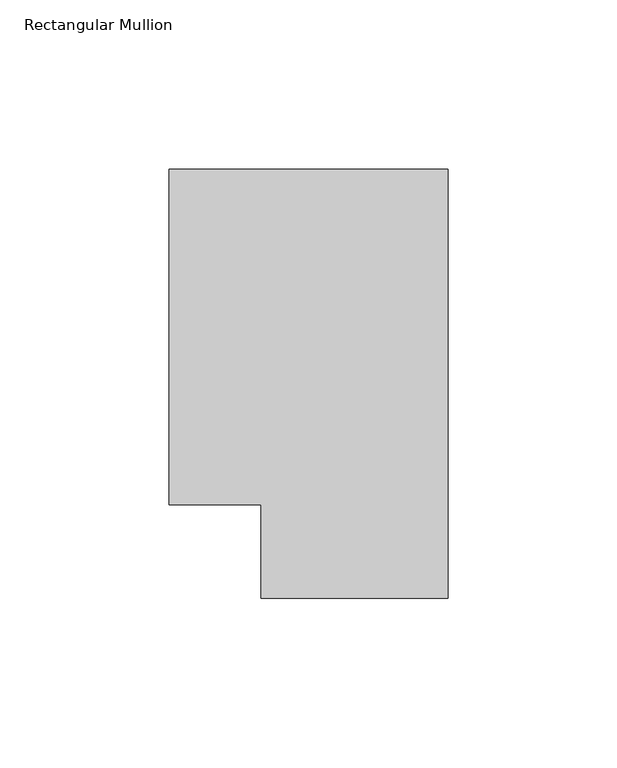
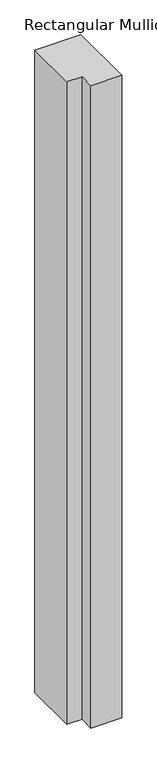
"""IFC4 building model written with IfcOpenShell, lengths in millimetres: member geometry, Rectangular Mullion."""

from ifc_helpers import new_model, si_unit, frame, origin, place, context, project, spatial, polyline, outline, extrude, source, transform, mapped, element, save


def rectangular_mullion_d05f4828(model_context):
    return source(origin(), model_context, "Body", "SweptSolid", [
        extrude(outline(polyline([(0.0, 138.7038437), (0.0, 11.7059608), (-55.3125404, 11.7059608), (-55.3125404, 39.3898437), (-82.55, 39.3898437), (-82.55, 138.7038437), (0.0, 138.7038437)])), frame((0.0, 0.0, -1219.2), z_axis=(0.0, 0.0, 1.0), x_axis=(1.0, 0.0, 0.0)), (0.0, 0.0, 1.0), 1219.2),
    ])


if __name__ == "__main__":
    model = new_model("IFC4")
    model_context = context("Model", 3, world=origin())
    ifc_project = project(units=[si_unit("LENGTHUNIT", "METRE", prefix="MILLI")], contexts=[model_context])
    site = spatial("IfcSite", under=ifc_project)
    building = spatial("IfcBuilding", under=site)
    placement = place(None, origin())
    rectangular_mullion_shape = rectangular_mullion_d05f4828(model_context)
    element("IfcMember", 1, ObjectType="Rectangular Mullion", at=placement, inside=building, context=model_context, shape_type="MappedRepresentation", body=[
        mapped(rectangular_mullion_shape, transform((0.0, 0.0, 0.0), x_axis=(1.0, 0.0, 0.0), y_axis=(0.0, 1.0, 0.0), z_axis=(0.0, 0.0, 1.0))),
    ])
    save(model, "model.ifc")
